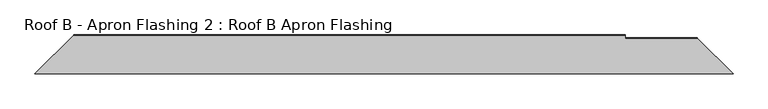
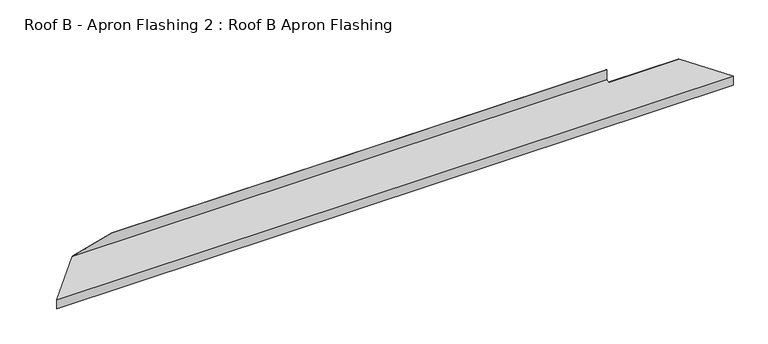
"""IFC4 building model written with IfcOpenShell, lengths in millimetres: proxy geometry, Roof B - Apron Flashing 2 : Roof B Apron Flashing."""

from ifc_helpers import new_model, si_unit, origin, place, context, project, spatial, faceted_brep, source, transform, mapped, element, save


def roof_b_apron_flashing_2_roof_b_apron_flashing_e163da1a(model_context):
    return source(origin(), model_context, "Body", "Brep", [
        faceted_brep([(3649.0213013, -3717.1696487, 3547.3861639), (3837.4050751, -3905.5534225, 3496.9088838), (162.5949249, -3905.5534225, 3496.9088838), (366.3429069, -3701.8054406, 3551.5029911), (3270.0, -3701.8054406, 3551.5029911), (3270.0, -3717.1696487, 3547.3861639), (3270.0, -3701.8054406, 3611.1338746), (366.3429069, -3701.8054406, 3553.7462723), (580.5163547, -3701.8054406, 3611.1338746), (3270.0, -3702.8054406, 3611.1338746), (580.5163547, -3702.8054406, 3611.1338746), (3270.0, -3702.8054406, 3552.270318), (365.3429069, -3702.8054406, 3553.4783231), (365.3429069, -3702.8054406, 3552.270318), (3838.4050751, -3906.5534225, 3497.6762108), (3652.8850046, -3721.033352, 3547.3861639), (3270.0, -3721.033352, 3547.3861639), (161.5949249, -3906.5534225, 3497.6762108), (3838.4050751, -3906.5534225, 3446.4262108), (161.5949249, -3906.5534225, 3446.4262108), (3837.4050751, -3905.5534225, 3446.4262108), (162.5949249, -3905.5534225, 3446.4262108)], [[[0, 1, 2, 3, 4, 5]], [[6, 4, 3, 7, 8]], [[9, 6, 8, 10]], [[11, 9, 10, 12, 13]], [[14, 15, 16, 11, 13, 17]], [[18, 14, 17, 19]], [[20, 18, 19, 21]], [[1, 20, 21, 2]], [[14, 18, 20, 1, 0, 15]], [[5, 16, 15, 0]], [[16, 5, 4, 6, 9, 11]], [[10, 8, 7, 12]], [[3, 2, 21, 19, 17, 13, 12, 7]]]),
    ])


if __name__ == "__main__":
    model = new_model("IFC4")
    model_context = context("Model", 3, world=origin())
    ifc_project = project(units=[si_unit("LENGTHUNIT", "METRE", prefix="MILLI")], contexts=[model_context])
    site = spatial("IfcSite", under=ifc_project)
    building = spatial("IfcBuilding", under=site)
    placement = place(None, origin())
    roof_b_apron_flashing_2_roof_b_apron_flashing_shape = roof_b_apron_flashing_2_roof_b_apron_flashing_e163da1a(model_context)
    element("IfcBuildingElementProxy", 1, Name="Roof B - Apron Flashing 2 : Roof B Apron Flashing", ObjectType="Roof B - Apron Flashing 2 : Roof B Apron Flashing", at=placement, inside=building, context=model_context, shape_type="MappedRepresentation", body=[
        mapped(roof_b_apron_flashing_2_roof_b_apron_flashing_shape, transform((0.0, 0.0, 0.0), x_axis=(1.0, 0.0, 0.0), y_axis=(0.0, 1.0, 0.0), z_axis=(0.0, 0.0, 1.0))),
    ])
    save(model, "model.ifc")
